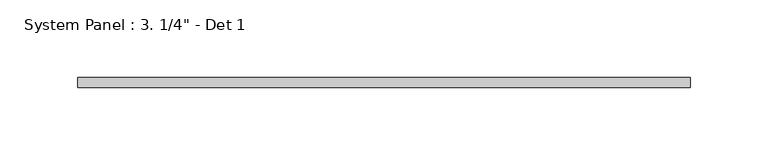
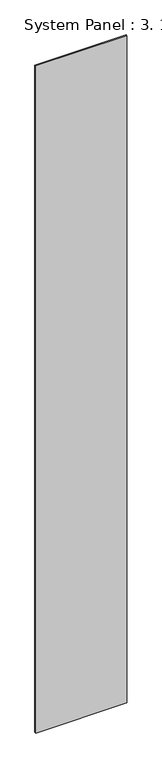
"""IFC4 building model written with IfcOpenShell, lengths in millimetres: plate geometry."""

from ifc_helpers import new_model, si_unit, origin, origin_with_axes, place, context, project, spatial, polyline, outline, extrude, source, transform, mapped, element, save


def plate_26748f8f(model_context):
    return source(origin(), model_context, "Body", "SweptSolid", [
        extrude(outline(polyline([(196.85, 0.0), (-196.85, 0.0), (-196.85, 6.35), (196.85, 6.35), (196.85, 0.0)])), origin_with_axes(), (0.0, 0.0, 1.0), 3048.0),
    ])


if __name__ == "__main__":
    model = new_model("IFC4")
    model_context = context("Model", 3, world=origin())
    ifc_project = project(units=[si_unit("LENGTHUNIT", "METRE", prefix="MILLI")], contexts=[model_context])
    site = spatial("IfcSite", under=ifc_project)
    building = spatial("IfcBuilding", under=site)
    placement = place(None, origin())
    plate_shape = plate_26748f8f(model_context)
    element("IfcPlate", 1, ObjectType="System Panel : 3. 1/4\" - Det 1", at=placement, inside=building, context=model_context, shape_type="MappedRepresentation", body=[
        mapped(plate_shape, transform((0.0, 0.0, 0.0), x_axis=(1.0, 0.0, 0.0), y_axis=(0.0, 1.0, 0.0), z_axis=(0.0, 0.0, 1.0))),
    ])
    save(model, "model.ifc")
